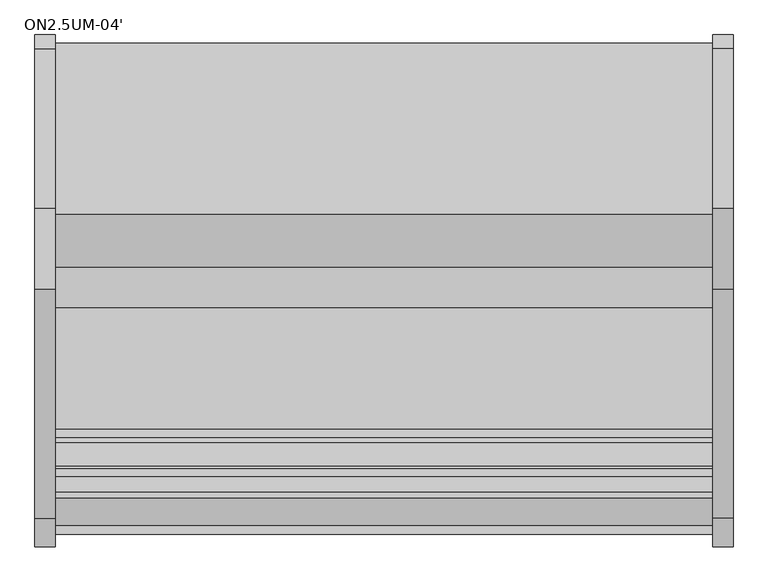
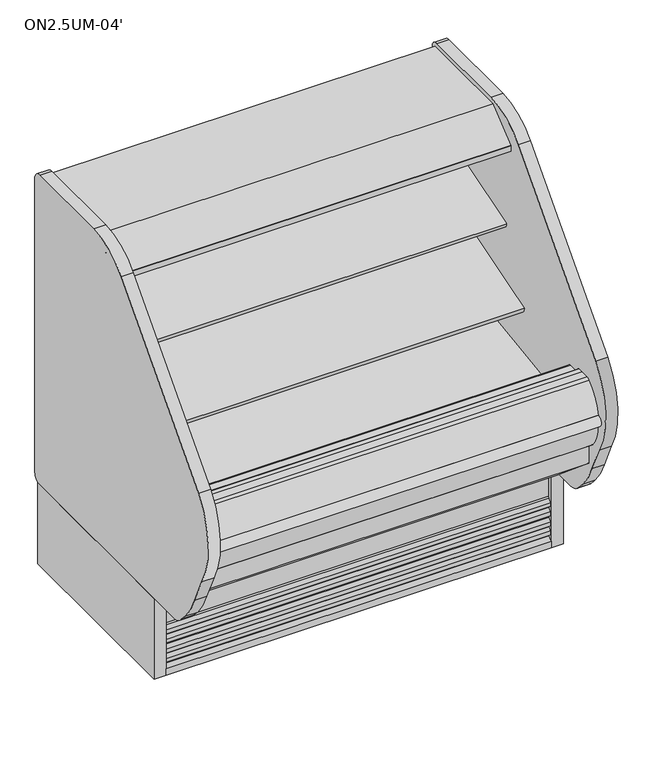
"""IFC4 building model written with IfcOpenShell, lengths in millimetres: proxy geometry, ON2.5UM-04'."""

import ifcopenshell
import ifcopenshell.guid

model = None  # the IFC model being written
_history = None  # IfcOwnerHistory: only IFC2X3 demands one
_inside = {}  # id of a spatial element -> (the spatial element, [elements in it])
_under = {}  # id of a project, library or spatial element -> (it, [spatial elements below it])
_declared = {}  # id of a project -> (the project, [libraries it declares])
_typed = {}  # id of a type object -> (the type object, [elements of that type])
_made_of = {}  # id of a material, layer set ... -> (it, [elements and type objects made of it])


def new_model(schema):
    """Start an empty IFC model of exactly this schema.

    Asked for "IFC4X3", IfcOpenShell would pick the latest addendum, in which some entities
    have other attributes; the version numbers below select the first issue.
    IFC2X3 requires an IfcOwnerHistory on every rooted entity: one is made here for all.
    """
    global model, _history
    if schema == "IFC4X3":
        model = ifcopenshell.file(schema_version=(4, 3, 0, 0))
    else:
        model = ifcopenshell.file(schema=schema)
    _inside.clear()
    _under.clear()
    _declared.clear()
    _typed.clear()
    _made_of.clear()
    _history = None
    if model.schema == "IFC2X3":
        org = make("IfcOrganization", Name="unknown")
        user = make(
            "IfcPersonAndOrganization",
            ThePerson=make("IfcPerson", FamilyName="unknown"),
            TheOrganization=org,
        )
        app = make(
            "IfcApplication",
            ApplicationDeveloper=org,
            Version="unknown",
            ApplicationFullName="unknown",
            ApplicationIdentifier="unknown",
        )
        _history = make(
            "IfcOwnerHistory",
            OwningUser=user,
            OwningApplication=app,
            ChangeAction="ADDED",
            CreationDate=0,
        )
    return model


def make(cls, **values):
    """One entity of the class cls with the attributes given. An attribute that is None is left unset."""
    return model.create_entity(
        cls, **{name: value for name, value in values.items() if value is not None}
    )


def rooted(cls, **values):
    """An entity with a GlobalId (a new one), such as an element, a storey or a relation."""
    return make(cls, GlobalId=ifcopenshell.guid.new(), OwnerHistory=_history, **values)


def si_unit(unit_type, name, prefix=None):
    """IfcSIUnit, for example si_unit("LENGTHUNIT", "METRE", prefix="MILLI")."""
    return make("IfcSIUnit", UnitType=unit_type, Prefix=prefix, Name=name)


def assignment(units):
    """IfcUnitAssignment: the units of a project."""
    return None if units is None else make("IfcUnitAssignment", Units=units)


def point(xyz):
    """IfcCartesianPoint."""
    return None if xyz is None else make("IfcCartesianPoint", Coordinates=xyz)


def direction(xyz):
    """IfcDirection."""
    return None if xyz is None else make("IfcDirection", DirectionRatios=xyz)


def frame(location, z_axis=None, x_axis=None):
    """IfcAxis2Placement3D, a coordinate frame: its origin and axes. An axis left out is left unset."""
    return make(
        "IfcAxis2Placement3D",
        Location=point(location),
        Axis=direction(z_axis),
        RefDirection=direction(x_axis),
    )


def frame_2d(location, x_axis=None):
    """IfcAxis2Placement2D, a coordinate frame in the plane: its origin and x axis."""
    return make(
        "IfcAxis2Placement2D", Location=point(location), RefDirection=direction(x_axis)
    )


def origin():
    """The frame at (0, 0, 0) with its axes left unset."""
    return frame((0.0, 0.0, 0.0))


def origin_with_axes():
    """The frame at (0, 0, 0) with the z axis (0, 0, 1) and the x axis (1, 0, 0) written out."""
    return frame((0.0, 0.0, 0.0), z_axis=(0.0, 0.0, 1.0), x_axis=(1.0, 0.0, 0.0))


def place(relative_to, where):
    """IfcLocalPlacement: puts the frame where relative to a parent placement (None: the world)."""
    return make(
        "IfcLocalPlacement", PlacementRelTo=relative_to, RelativePlacement=where
    )


def context(
    kind, dimensions, precision=None, world=None, true_north=None, identifier=None
):
    """IfcGeometricRepresentationContext, for example the 3D "Model" context."""
    return make(
        "IfcGeometricRepresentationContext",
        ContextIdentifier=identifier,
        ContextType=kind,
        CoordinateSpaceDimension=dimensions,
        Precision=precision,
        WorldCoordinateSystem=world,
        TrueNorth=true_north,
    )


def project(units=None, contexts=None):
    """IfcProject with its units and contexts."""
    return rooted(
        "IfcProject",
        Name="project",
        RepresentationContexts=contexts,
        UnitsInContext=assignment(units),
    )


def spatial(cls, under=None, at=None, **own):
    """A site, building, storey or space (cls), placed at a placement, below another one or the project."""
    s = rooted(cls, ObjectPlacement=at, **own)
    if under is not None:
        _under.setdefault(under.id(), (under, []))[1].append(s)
    return s


def polyline(points):
    """IfcPolyline through the points."""
    return make("IfcPolyline", Points=[point(p) for p in points])


def circle_curve(where, radius):
    """IfcCircle in the frame where."""
    return make("IfcCircle", Position=where, Radius=radius)


def trimmed(basis, trim1, trim2, sense, master):
    """IfcTrimmedCurve: the piece of a basis curve between two trims."""
    return make(
        "IfcTrimmedCurve",
        BasisCurve=basis,
        Trim1=trim1,
        Trim2=trim2,
        SenseAgreement=sense,
        MasterRepresentation=master,
    )


def segment(curve, same_sense, transition):
    """IfcCompositeCurveSegment."""
    return make(
        "IfcCompositeCurveSegment",
        Transition=transition,
        SameSense=same_sense,
        ParentCurve=curve,
    )


def composite_curve(segments, self_intersect=None):
    """IfcCompositeCurve: segments joined end to end."""
    return make("IfcCompositeCurve", Segments=segments, SelfIntersect=self_intersect)


def outline(outer, holes=None, kind="AREA"):
    """IfcArbitraryClosedProfileDef: a profile drawn as a closed curve; with holes, ...WithVoids."""
    if holes is None:
        return make("IfcArbitraryClosedProfileDef", ProfileType=kind, OuterCurve=outer)
    return make(
        "IfcArbitraryProfileDefWithVoids",
        ProfileType=kind,
        OuterCurve=outer,
        InnerCurves=holes,
    )


def extrude(swept, where, along, depth):
    """IfcExtrudedAreaSolid: the profile swept, set in the frame where, extruded along a direction by depth."""
    return make(
        "IfcExtrudedAreaSolid",
        SweptArea=swept,
        Position=where,
        ExtrudedDirection=direction(along),
        Depth=depth,
    )


def shape(context_of_items, identifier, shape_type, items):
    """IfcShapeRepresentation: the items that make up one representation, for example the "Body"."""
    return make(
        "IfcShapeRepresentation",
        ContextOfItems=context_of_items,
        RepresentationIdentifier=identifier,
        RepresentationType=shape_type,
        Items=items,
    )


def source(mapping_origin, context_of_items, identifier, shape_type, items):
    """IfcRepresentationMap: a shape defined once, which mapped items show again and again."""
    return make(
        "IfcRepresentationMap",
        MappingOrigin=mapping_origin,
        MappedRepresentation=shape(context_of_items, identifier, shape_type, items),
    )


def transform(
    local_origin,
    x_axis=None,
    y_axis=None,
    z_axis=None,
    scale=None,
    scale2=None,
    scale3=None,
    uniform=True,
):
    """IfcCartesianTransformationOperator3D, or its non-uniform kind. x_axis, y_axis, z_axis: its Axis1, 2, 3."""
    if uniform:
        return make(
            "IfcCartesianTransformationOperator3D",
            Axis1=direction(x_axis),
            Axis2=direction(y_axis),
            LocalOrigin=point(local_origin),
            Scale=scale,
            Axis3=direction(z_axis),
        )
    return make(
        "IfcCartesianTransformationOperator3DnonUniform",
        Axis1=direction(x_axis),
        Axis2=direction(y_axis),
        LocalOrigin=point(local_origin),
        Scale=scale,
        Axis3=direction(z_axis),
        Scale2=scale2,
        Scale3=scale3,
    )


def mapped(mapping_source, mapping_target):
    """IfcMappedItem: shows the shape of a source again, moved by a transform."""
    return make(
        "IfcMappedItem", MappingSource=mapping_source, MappingTarget=mapping_target
    )


def made_of(thing, what):
    """Note that an element or type object is made of a material, layer set ...; save() writes the relation."""
    if what is not None:
        _made_of.setdefault(what.id(), (what, []))[1].append(thing)
    return thing


def element(
    cls,
    number,
    at=None,
    inside=None,
    cuts=None,
    type_object=None,
    material=None,
    context=None,
    identifier="Body",
    shape_type=None,
    held_by="IfcProductDefinitionShape",
    body=None,
    shapes=None,
    **own,
):
    """One element of the class cls, such as IfcWall. Its Tag is "e" and its number.

    at: its placement. inside: the storey or other place that contains it. cuts: it is an
    opening in that element (IfcRelVoidsElement). A single representation is given by context,
    identifier, shape_type and body (its items); several are given by shapes. held_by: the class
    of the entity that holds the representations. save() writes the other relations.
    """
    e = rooted(cls, Tag="e%d" % number, ObjectPlacement=at, **own)
    if body is not None:
        shapes = [shape(context, identifier, shape_type, body)]
    if shapes is not None:
        e.Representation = make(held_by, Representations=shapes)
    if inside is not None:
        _inside.setdefault(inside.id(), (inside, []))[1].append(e)
    if cuts is not None:
        rooted(
            "IfcRelVoidsElement", RelatingBuildingElement=cuts, RelatedOpeningElement=e
        )
    if type_object is not None:
        _typed.setdefault(type_object.id(), (type_object, []))[1].append(e)
    return made_of(e, material)


def aggregate(whole, parts):
    """IfcRelAggregates: a whole, such as a stair, and the parts it consists of."""
    return rooted("IfcRelAggregates", RelatingObject=whole, RelatedObjects=parts)


def save(model, path):
    """Write the relations noted so far, then the file.

    IfcRelAggregates (storeys below a building ...), IfcRelContainedInSpatialStructure (elements
    in a storey), IfcRelDefinesByType, IfcRelAssociatesMaterial and IfcRelDeclares: one each for
    every whole, place, type object, material and project.
    """
    for whole, parts in _under.values():
        aggregate(whole, parts)
    for where, things in _inside.values():
        rooted(
            "IfcRelContainedInSpatialStructure",
            RelatedElements=things,
            RelatingStructure=where,
        )
    for kind, things in _typed.values():
        rooted("IfcRelDefinesByType", RelatedObjects=things, RelatingType=kind)
    for what, things in _made_of.values():
        rooted("IfcRelAssociatesMaterial", RelatedObjects=things, RelatingMaterial=what)
    for by, libraries in _declared.values():
        rooted("IfcRelDeclares", RelatingContext=by, RelatedDefinitions=libraries)
    model.write(path)


def plane_surface(at):
    """IfcPlane: the flat surface through the origin of the frame at, square to its z axis."""
    return make("IfcPlane", Position=at)


def revolved_surface(curve, axis_point, axis_direction):
    """IfcSurfaceOfRevolution: the curve turned about the line through axis_point along axis_direction."""
    return make(
        "IfcSurfaceOfRevolution",
        SweptCurve=make("IfcArbitraryOpenProfileDef", ProfileType="CURVE", Curve=curve),
        AxisPosition=make("IfcAxis1Placement", Location=point(axis_point), Axis=direction(axis_direction)),
    )


def advanced_brep(points, edges, surfaces, faces):
    """IfcAdvancedBrep: a solid bounded by faces that lie on surfaces and meet in shared edges.

    An edge is (start, end): straight between two places in points (the first is 0);
    or (start, end, curve); or (start, end, curve, False) where it runs against its curve.
    A face is (place in surfaces, loops), or (place, loops, False) where it looks against
    its surface's normal. A loop lists edges by number (the first is 1), with a minus sign
    where the edge is run from its end to its start. The first loop is the outer one.
    """
    corners = [point(p) for p in points]
    vertices = [make("IfcVertexPoint", VertexGeometry=c) for c in corners]
    made = []
    for start, end, *more in edges:
        made.append(
            make(
                "IfcEdgeCurve",
                EdgeStart=vertices[start],
                EdgeEnd=vertices[end],
                EdgeGeometry=more[0] if more else make("IfcPolyline", Points=[corners[start], corners[end]]),
                SameSense=more[1] if len(more) > 1 else True,
            )
        )
    hull = []
    for where, loops, *sense in faces:
        bounds = []
        for j, loop in enumerate(loops):
            ring = [make("IfcOrientedEdge", EdgeElement=made[abs(k) - 1], Orientation=k > 0) for k in loop]
            bounds.append(
                make(
                    "IfcFaceOuterBound" if j == 0 else "IfcFaceBound",
                    Bound=make("IfcEdgeLoop", EdgeList=ring),
                    Orientation=True,
                )
            )
        hull.append(make("IfcAdvancedFace", Bounds=bounds, FaceSurface=surfaces[where], SameSense=sense[0] if sense else True))
    return make("IfcAdvancedBrep", Outer=make("IfcClosedShell", CfsFaces=hull))


def on2_5um_04_1493ea88(model_context):
    return source(origin(), model_context, "Body", "SolidModel", [
        extrude(outline(polyline([(507.388263, -893.2764617), (202.588263, -893.2764617), (202.588263, -791.6764617), (507.388263, -791.6764617), (507.388263, -893.2764617)])), frame((0.0, 0.0, 73.025), z_axis=(0.0, 0.0, 1.0), x_axis=(1.0, 0.0, 0.0)), (0.0, 0.0, 1.0), 53.975),
        extrude(outline(composite_curve([segment(polyline([(-450.9752145, 601.5405648), (-468.3502366, 595.9037411)]), True, "CONTINUOUS"), segment(trimmed(circle_curve(frame_2d((-476.1883714, 620.0641145)), 25.4), [point((-468.3502366, 595.9037411))], [point((-485.6945728, 596.5100886))], False, "CARTESIAN"), True, "CONTINUOUS"), segment(polyline([(-485.6945728, 596.5100886), (-506.9899706, 605.1047271)]), True, "CONTINUOUS"), segment(trimmed(circle_curve(frame_2d((-530.755474, 546.2196624)), 63.5), [point((-506.9899706, 605.1047271))], [point((-541.6241367, 608.7826081))], True, "CARTESIAN"), True, "CONTINUOUS"), segment(polyline([(-541.6241367, 608.7826081), (-729.3406491, 576.171812), (-731.7702933, 579.0267523), (-835.4587722, 547.3260029), (-839.6174674, 560.9284818), (-450.9752145, 679.7483426), (-450.9752145, 601.5405648)]), True, "CONTINUOUS")], self_intersect=False)), frame((0.0, 0.0, 0.0), z_axis=(1.0, 0.0, 0.0), x_axis=(0.0, 1.0, 0.0)), (0.0, 0.0, 1.0), 1219.2),
        extrude(outline(composite_curve([segment(polyline([(-450.9752145, 796.011901), (-468.3502366, 790.3750773)]), True, "CONTINUOUS"), segment(trimmed(circle_curve(frame_2d((-476.1883714, 814.5354507)), 25.4), [point((-468.3502366, 790.3750773))], [point((-485.6945728, 790.9814248))], False, "CARTESIAN"), True, "CONTINUOUS"), segment(polyline([(-485.6945728, 790.9814248), (-506.9899706, 799.5760633)]), True, "CONTINUOUS"), segment(trimmed(circle_curve(frame_2d((-530.755474, 740.6909986)), 63.5), [point((-506.9899706, 799.5760633))], [point((-541.6241367, 803.2539443))], True, "CARTESIAN"), True, "CONTINUOUS"), segment(polyline([(-541.6241367, 803.2539443), (-679.3922366, 785.9139105), (-681.8218807, 788.7688507), (-738.298209, 771.5023043), (-742.4569042, 785.1047832), (-450.9752145, 874.2196788), (-450.9752145, 796.011901)]), True, "CONTINUOUS")], self_intersect=False)), frame((0.0, 0.0, 0.0), z_axis=(1.0, 0.0, 0.0), x_axis=(0.0, 1.0, 0.0)), (0.0, 0.0, 1.0), 1219.2),
        extrude(outline(composite_curve([segment(polyline([(-648.470614, 1072.6264761), (-649.9945361, 1074.2809705)]), True, "CONTINUOUS"), segment(trimmed(circle_curve(frame_2d((-649.4381785, 1074.7934206)), 0.7563986), [point((-649.9945361, 1074.2809705))], [point((-650.0466912, 1075.242699))], False, "CARTESIAN"), True, "CONTINUOUS"), segment(polyline([(-650.0466912, 1075.242699), (-648.8697344, 1075.2696879)]), True, "CONTINUOUS"), segment(trimmed(circle_curve(frame_2d((-648.8849906, 1075.9349944)), 0.6654814), [point((-648.8697344, 1075.2696879))], [point((-648.2227389, 1075.86951))], True, "CARTESIAN"), True, "CONTINUOUS"), segment(polyline([(-648.2227389, 1075.86951), (-620.3098143, 1075.9693853)]), True, "CONTINUOUS"), segment(trimmed(circle_curve(frame_2d((-619.7582325, 1075.901174)), 0.5557835), [point((-620.3098143, 1075.9693853))], [point((-619.8063732, 1075.3474794))], True, "CARTESIAN"), True, "CONTINUOUS"), segment(polyline([(-619.8063732, 1075.3474794), (-618.5866603, 1075.2414319)]), True, "CONTINUOUS"), segment(trimmed(circle_curve(frame_2d((-619.2724659, 1074.9057275)), 0.7635619), [point((-618.5866603, 1075.2414319))], [point((-618.7071533, 1074.3924554))], False, "CARTESIAN"), True, "CONTINUOUS"), segment(polyline([(-618.7071533, 1074.3924554), (-620.2979029, 1072.6404203), (-620.2739221, 1065.9383273)]), True, "CONTINUOUS"), segment(trimmed(circle_curve(frame_2d((-617.5454128, 1065.4973187)), 2.7639197), [point((-620.2739221, 1065.9383273))], [point((-618.5092301, 1062.9068924))], True, "CARTESIAN"), True, "CONTINUOUS"), segment(trimmed(circle_curve(frame_2d((-619.7320957, 1059.6202289)), 3.5067873), [point((-618.5092301, 1062.9068924))], [point((-617.51659, 1062.3385173))], False, "CARTESIAN"), True, "CONTINUOUS"), segment(trimmed(circle_curve(frame_2d((-619.9358423, 1056.2322704)), 6.5680312), [point((-617.51659, 1062.3385173))], [point((-613.3688711, 1056.350264))], False, "CARTESIAN"), True, "CONTINUOUS"), segment(trimmed(circle_curve(frame_2d((-1565.705013, 1048.3568984)), 952.3696872), [point((-613.3688711, 1056.350264))], [point((-613.3917721, 1037.9880818))], False, "CARTESIAN"), True, "CONTINUOUS"), segment(trimmed(circle_curve(frame_2d((-644.191626, 1038.432929)), 30.8030662), [point((-613.3917721, 1037.9880818))], [point((-613.4160701, 1037.1313729))], False, "CARTESIAN"), True, "CONTINUOUS"), segment(trimmed(circle_curve(frame_2d((-614.6672942, 1036.8230636)), 1.288649), [point((-613.4160701, 1037.1313729))], [point((-613.7448372, 1035.9232363))], False, "CARTESIAN"), True, "CONTINUOUS"), segment(polyline([(-613.7448372, 1035.9232363), (-615.3844258, 1035.9173697)]), True, "CONTINUOUS"), segment(trimmed(circle_curve(frame_2d((-614.9290066, 1038.5823232)), 2.7035873), [point((-615.3844258, 1035.9173697))], [point((-616.2763262, 1036.2383706))], False, "CARTESIAN"), True, "CONTINUOUS"), segment(polyline([(-616.2763262, 1036.2383706), (-652.0965363, 1036.1102022)]), True, "CONTINUOUS"), segment(trimmed(circle_curve(frame_2d((-653.4351306, 1038.4591487)), 2.7035873), [point((-652.0965363, 1036.1102022))], [point((-653.0538308, 1035.7825847))], False, "CARTESIAN"), True, "CONTINUOUS"), segment(polyline([(-653.0538308, 1035.7825847), (-654.7261323, 1035.7766011)]), True, "CONTINUOUS"), segment(trimmed(circle_curve(frame_2d((-653.779063, 1036.6504867)), 1.288649), [point((-654.7261323, 1035.7766011))], [point((-655.0218104, 1036.9913611))], False, "CARTESIAN"), True, "CONTINUOUS"), segment(trimmed(circle_curve(frame_2d((514.6365685, 1060.3863806)), 1169.8923242), [point((-655.0218104, 1036.9913611))], [point((-655.2482668, 1056.2004152))], False, "CARTESIAN"), True, "CONTINUOUS"), segment(trimmed(circle_curve(frame_2d((-648.976975, 1056.2228546)), 6.2713319), [point((-655.2482668, 1056.2004152))], [point((-652.1320539, 1061.6427329))], False, "CARTESIAN"), True, "CONTINUOUS"), segment(polyline([(-652.1320539, 1061.6427329), (-650.1549769, 1062.7936506)]), True, "CONTINUOUS"), segment(trimmed(circle_curve(frame_2d((-651.9196866, 1065.8251158)), 3.5077032), [point((-650.1549769, 1062.7936506))], [point((-648.4120058, 1065.8376464))], True, "CARTESIAN"), True, "CONTINUOUS"), segment(polyline([(-648.4120058, 1065.8376464), (-648.470614, 1072.6264761)]), True, "CONTINUOUS")], self_intersect=False)), frame((0.0, 0.0, 0.0), z_axis=(1.0, 0.0, 0.0), x_axis=(0.0, 1.0, 0.0)), (0.0, 0.0, 1.0), 1219.2),
        extrude(outline(composite_curve([segment(polyline([(-685.859414, 1072.6264761), (-687.3833361, 1074.2809705)]), True, "CONTINUOUS"), segment(trimmed(circle_curve(frame_2d((-686.8269785, 1074.7934206)), 0.7563986), [point((-687.3833361, 1074.2809705))], [point((-687.4354912, 1075.242699))], False, "CARTESIAN"), True, "CONTINUOUS"), segment(polyline([(-687.4354912, 1075.242699), (-686.2585344, 1075.2696879)]), True, "CONTINUOUS"), segment(trimmed(circle_curve(frame_2d((-686.2737906, 1075.9349944)), 0.6654814), [point((-686.2585344, 1075.2696879))], [point((-685.6115389, 1075.86951))], True, "CARTESIAN"), True, "CONTINUOUS"), segment(polyline([(-685.6115389, 1075.86951), (-657.6986143, 1075.9693853)]), True, "CONTINUOUS"), segment(trimmed(circle_curve(frame_2d((-657.1470325, 1075.901174)), 0.5557835), [point((-657.6986143, 1075.9693853))], [point((-657.1951732, 1075.3474794))], True, "CARTESIAN"), True, "CONTINUOUS"), segment(polyline([(-657.1951732, 1075.3474794), (-655.9754603, 1075.2414319)]), True, "CONTINUOUS"), segment(trimmed(circle_curve(frame_2d((-656.6612659, 1074.9057275)), 0.7635619), [point((-655.9754603, 1075.2414319))], [point((-656.0959533, 1074.3924554))], False, "CARTESIAN"), True, "CONTINUOUS"), segment(polyline([(-656.0959533, 1074.3924554), (-657.6867029, 1072.6404203), (-657.6627221, 1065.9383273)]), True, "CONTINUOUS"), segment(trimmed(circle_curve(frame_2d((-654.9342128, 1065.4973187)), 2.7639197), [point((-657.6627221, 1065.9383273))], [point((-655.8980301, 1062.9068924))], True, "CARTESIAN"), True, "CONTINUOUS"), segment(trimmed(circle_curve(frame_2d((-657.1208957, 1059.6202289)), 3.5067873), [point((-655.8980301, 1062.9068924))], [point((-654.90539, 1062.3385173))], False, "CARTESIAN"), True, "CONTINUOUS"), segment(trimmed(circle_curve(frame_2d((-657.3246423, 1056.2322704)), 6.5680312), [point((-654.90539, 1062.3385173))], [point((-650.7576711, 1056.350264))], False, "CARTESIAN"), True, "CONTINUOUS"), segment(trimmed(circle_curve(frame_2d((-1603.093813, 1048.3568984)), 952.3696872), [point((-650.7576711, 1056.350264))], [point((-650.7805721, 1037.9880818))], False, "CARTESIAN"), True, "CONTINUOUS"), segment(trimmed(circle_curve(frame_2d((-681.580426, 1038.432929)), 30.8030662), [point((-650.7805721, 1037.9880818))], [point((-650.8048701, 1037.1313729))], False, "CARTESIAN"), True, "CONTINUOUS"), segment(trimmed(circle_curve(frame_2d((-652.0560942, 1036.8230636)), 1.288649), [point((-650.8048701, 1037.1313729))], [point((-651.1336372, 1035.9232363))], False, "CARTESIAN"), True, "CONTINUOUS"), segment(polyline([(-651.1336372, 1035.9232363), (-652.7732258, 1035.9173697)]), True, "CONTINUOUS"), segment(trimmed(circle_curve(frame_2d((-652.3178066, 1038.5823232)), 2.7035873), [point((-652.7732258, 1035.9173697))], [point((-653.6651262, 1036.2383706))], False, "CARTESIAN"), True, "CONTINUOUS"), segment(polyline([(-653.6651262, 1036.2383706), (-689.4853363, 1036.1102022)]), True, "CONTINUOUS"), segment(trimmed(circle_curve(frame_2d((-690.8239306, 1038.4591487)), 2.7035873), [point((-689.4853363, 1036.1102022))], [point((-690.4426308, 1035.7825847))], False, "CARTESIAN"), True, "CONTINUOUS"), segment(polyline([(-690.4426308, 1035.7825847), (-692.1149323, 1035.7766011)]), True, "CONTINUOUS"), segment(trimmed(circle_curve(frame_2d((-691.167863, 1036.6504867)), 1.288649), [point((-692.1149323, 1035.7766011))], [point((-692.4106104, 1036.9913611))], False, "CARTESIAN"), True, "CONTINUOUS"), segment(trimmed(circle_curve(frame_2d((477.2477685, 1060.3863806)), 1169.8923242), [point((-692.4106104, 1036.9913611))], [point((-692.6370668, 1056.2004152))], False, "CARTESIAN"), True, "CONTINUOUS"), segment(trimmed(circle_curve(frame_2d((-686.365775, 1056.2228546)), 6.2713319), [point((-692.6370668, 1056.2004152))], [point((-689.5208539, 1061.6427329))], False, "CARTESIAN"), True, "CONTINUOUS"), segment(polyline([(-689.5208539, 1061.6427329), (-687.5437769, 1062.7936506)]), True, "CONTINUOUS"), segment(trimmed(circle_curve(frame_2d((-689.3084866, 1065.8251158)), 3.5077032), [point((-687.5437769, 1062.7936506))], [point((-685.8008058, 1065.8376464))], True, "CARTESIAN"), True, "CONTINUOUS"), segment(polyline([(-685.8008058, 1065.8376464), (-685.859414, 1072.6264761)]), True, "CONTINUOUS")], self_intersect=False)), frame((0.0, 0.0, 0.0), z_axis=(1.0, 0.0, 0.0), x_axis=(0.0, 1.0, 0.0)), (0.0, 0.0, 1.0), 1219.2),
        extrude(outline(composite_curve([segment(trimmed(circle_curve(frame_2d((-634.3430759, 1052.6167993)), 14.2875), [point((-648.6305759, 1052.6167993))], [point((-620.0555759, 1052.6167993))], False, "CARTESIAN"), True, "CONTINUOUS"), segment(trimmed(circle_curve(frame_2d((-634.3430759, 1052.6167993)), 14.2875), [point((-620.0555759, 1052.6167993))], [point((-648.6305759, 1052.6167993))], False, "CARTESIAN"), True, "CONTINUOUS")], self_intersect=False)), frame((0.0, 0.0, 0.0), z_axis=(1.0, 0.0, 0.0), x_axis=(0.0, 1.0, 0.0)), (0.0, 0.0, 1.0), 1219.2),
        extrude(outline(composite_curve([segment(trimmed(circle_curve(frame_2d((-671.7318759, 1052.6167993)), 14.2875), [point((-686.0193759, 1052.6167993))], [point((-657.4443759, 1052.6167993))], False, "CARTESIAN"), True, "CONTINUOUS"), segment(trimmed(circle_curve(frame_2d((-671.7318759, 1052.6167993)), 14.2875), [point((-657.4443759, 1052.6167993))], [point((-686.0193759, 1052.6167993))], False, "CARTESIAN"), True, "CONTINUOUS")], self_intersect=False)), frame((0.0, 0.0, 0.0), z_axis=(1.0, 0.0, 0.0), x_axis=(0.0, 1.0, 0.0)), (0.0, 0.0, 1.0), 1219.2),
        extrude(outline(composite_curve([segment(polyline([(-973.672535, -56.2420958), (-970.1834379, -45.2032877), (-982.2794629, -45.2032877), (-982.2794629, -32.8224109)]), True, "CONTINUOUS"), segment(trimmed(circle_curve(frame_2d((-986.6973307, -19.3202637)), 14.2065314), [point((-982.2794629, -32.8224109))], [point((-973.1374647, -23.5576651))], True, "CARTESIAN"), True, "CONTINUOUS"), segment(polyline([(-973.1374647, -23.5576651), (-970.3324167, -14.5813913), (-982.2794629, -14.5813913), (-982.2794629, -1.8502278)]), True, "CONTINUOUS"), segment(trimmed(circle_curve(frame_2d((-986.769706, 11.7233359)), 14.2969897), [point((-982.2794629, -1.8502278))], [point((-973.1374647, 7.414518))], True, "CARTESIAN"), True, "CONTINUOUS"), segment(polyline([(-973.1374647, 7.414518), (-971.254091, 13.4413945), (-971.254091, 130.175), (-962.6443405, 130.175), (-962.6443405, -149.3857268), (-987.2903379, -149.3857268), (-987.2903379, -127.7937749)]), True, "CONTINUOUS"), segment(trimmed(circle_curve(frame_2d((-986.7545143, -114.0983982)), 13.7058546), [point((-987.2903379, -127.7937749))], [point((-973.672535, -118.186462))], True, "CARTESIAN"), True, "CONTINUOUS"), segment(polyline([(-973.672535, -118.186462), (-970.7580238, -108.8599016), (-982.8145331, -108.8599016), (-982.8145331, -96.4790247)]), True, "CONTINUOUS"), segment(trimmed(circle_curve(frame_2d((-987.2324009, -82.9768775)), 14.2065314), [point((-982.8145331, -96.4790247))], [point((-973.672535, -87.2142789))], True, "CARTESIAN"), True, "CONTINUOUS"), segment(polyline([(-973.672535, -87.2142789), (-970.867487, -78.2380052), (-982.8145331, -78.2380052), (-982.8145331, -65.5068416)]), True, "CONTINUOUS"), segment(trimmed(circle_curve(frame_2d((-987.3047763, -51.933278)), 14.2969897), [point((-982.8145331, -65.5068416))], [point((-973.672535, -56.2420958))], True, "CARTESIAN"), True, "CONTINUOUS")], self_intersect=False)), frame((0.0, 0.0, 0.0), z_axis=(1.0, 0.0, 0.0), x_axis=(0.0, 1.0, 0.0)), (0.0, 0.0, 1.0), 1219.2),
        extrude(outline(polyline([(-349.0071273, 130.0142732), (-349.0071273, -149.3857268), (-390.3074283, -149.3857268), (-390.3074283, -79.5357268), (-920.5324283, -79.5357268), (-920.5324283, -149.3857268), (-962.9606519, -149.3857268), (-962.9606519, 130.0142732), (-349.0071273, 130.0142732)])), frame((0.0, 0.0, 0.0), z_axis=(1.0, 0.0, 0.0), x_axis=(0.0, 1.0, 0.0)), (0.0, 0.0, 1.0), 1219.2),
        extrude(outline(composite_curve([segment(polyline([(-399.8071273, 210.4307819), (-850.7588442, 194.683201), (-887.8011508, 163.7297871), (-889.0391302, 163.6865559), (-901.7492603, 153.7615258), (-962.0375119, 151.6562137), (-975.406166, 160.6685318), (-976.7040986, 160.6685318), (-1015.7041009, 188.882107), (-1030.3158209, 188.3718545), (-1140.3441273, 280.6965658), (-1140.3441273, 390.4771975), (-1152.9959201, 390.4771975), (-1152.9959201, 539.5892732), (-1138.0485917, 539.5892732)]), True, "CONTINUOUS"), segment(trimmed(circle_curve(frame_2d((-1138.0485917, 536.4142732)), 3.175), [point((-1138.0485917, 539.5892732))], [point((-1134.8735917, 536.4142732))], False, "CARTESIAN"), True, "CONTINUOUS"), segment(polyline([(-1134.8735917, 536.4142732), (-1134.8735917, 523.3115042), (-1089.9420117, 523.3115042)]), True, "CONTINUOUS"), segment(trimmed(circle_curve(frame_2d((-1089.9420117, 515.3867042)), 7.9248), [point((-1089.9420117, 523.3115042))], [point((-1082.0172117, 515.3867042))], False, "CARTESIAN"), True, "CONTINUOUS"), segment(polyline([(-1082.0172117, 515.3867042), (-1082.0172117, 377.7429537), (-1064.7975145, 377.7429537), (-542.3529877, 450.4013198), (-462.7893073, 458.1248825)]), True, "CONTINUOUS"), segment(trimmed(circle_curve(frame_2d((-463.6752145, 470.7939459)), 12.7), [point((-462.7893073, 458.1248825))], [point((-450.9752145, 470.7939459))], True, "CARTESIAN"), True, "CONTINUOUS"), segment(polyline([(-450.9752145, 470.7939459), (-450.9752145, 1012.0331953), (-399.8071273, 1012.0331953), (-399.8071273, 210.4307819)]), True, "CONTINUOUS")], self_intersect=False)), frame((0.0, 0.0, 0.0), z_axis=(1.0, 0.0, 0.0), x_axis=(0.0, 1.0, 0.0)), (0.0, 0.0, 1.0), 1219.2),
        advanced_brep(
        [(1219.2, -1040.4311421, 130.175), (1219.2, -349.0071273, 130.175), (1219.2, -349.0071273, 1092.2749935), (1219.2, -399.8071273, 1092.2749935), (1219.2, -399.8071273, 210.4307819), (1219.2, -850.7588442, 194.683201), (1219.2, -887.8011508, 163.7297871), (1219.2, -889.0391302, 163.6865559), (1219.2, -901.7492603, 153.7615258), (1219.2, -962.0375119, 151.6562137), (1219.2, -975.7864511, 160.9248965), (1219.2, -977.0584749, 160.9248965), (1219.2, -1015.7041009, 188.882107), (1219.2, -1030.3158209, 188.3718545), (1219.2, -1140.3441273, 280.6965658), (1219.2, -1140.3441273, 390.4771975), (1219.2, -1192.9399655, 390.4771975), (1219.2, -1192.9399655, 258.1450974), (0.0, -1040.4311421, 130.175), (0.0, -1192.9399655, 258.1450974), (0.0, -1192.9399655, 390.4771975), (0.0, -1140.3441273, 390.4771975), (0.0, -1140.3441273, 280.6965658), (0.0, -1030.3158209, 188.3718545), (0.0, -1015.7041009, 188.882107), (0.0, -977.0584749, 160.9248965), (0.0, -975.7864511, 160.9248965), (0.0, -962.0375119, 151.6562137), (0.0, -901.7492603, 153.7615258), (0.0, -889.0391302, 163.6865559), (0.0, -887.8011508, 163.7297871), (0.0, -850.7588442, 194.683201), (0.0, -399.8071273, 210.4307819), (0.0, -399.8071273, 1092.2749935), (0.0, -349.0071273, 1092.2749935), (0.0, -349.0071273, 130.175), (1117.6, -349.0071273, 279.4), (1117.6, -349.0071273, 342.9), (1117.6, -399.8071273, 342.9), (1117.6, -399.8071273, 279.4)],
        [
            (0, 1),
            (1, 2),
            (2, 3),
            (3, 4),
            (4, 5),
            (5, 6),
            (6, 7),
            (7, 8),
            (8, 9),
            (9, 10),
            (10, 11),
            (11, 12),
            (12, 13),
            (13, 14),
            (14, 15),
            (15, 16),
            (16, 17),
            (17, 0),
            (18, 19),
            (19, 20),
            (20, 21),
            (21, 22),
            (22, 23),
            (23, 24),
            (24, 25),
            (25, 26),
            (26, 27),
            (27, 28),
            (28, 29),
            (29, 30),
            (30, 31),
            (31, 32),
            (32, 33),
            (33, 34),
            (34, 35),
            (35, 18),
            (0, 18),
            (35, 1),
            (34, 2),
            (36, 37, circle_curve(frame((1117.6, -349.0071273, 311.15), z_axis=(0.0, -1.0, 0.0), x_axis=(0.0, 0.0, -1.0)), 31.75)),
            (37, 36, circle_curve(frame((1117.6, -349.0071273, 311.15), z_axis=(0.0, -1.0, 0.0), x_axis=(0.0, 0.0, -1.0)), 31.75)),
            (33, 3),
            (32, 4),
            (38, 39, circle_curve(frame((1117.6, -399.8071273, 311.15), z_axis=(0.0, 1.0, 0.0), x_axis=(0.0, 0.0, -1.0)), 31.75)),
            (39, 38, circle_curve(frame((1117.6, -399.8071273, 311.15), z_axis=(0.0, 1.0, 0.0), x_axis=(0.0, 0.0, -1.0)), 31.75)),
            (5, 31),
            (30, 6),
            (29, 7),
            (28, 8),
            (27, 9),
            (26, 10),
            (25, 11),
            (24, 12),
            (23, 13),
            (22, 14),
            (21, 15),
            (20, 16),
            (19, 17),
            (36, 39),
            (38, 37),
        ],
        [
            plane_surface(frame((1219.2, -349.0071273, 130.175), z_axis=(1.0, 0.0, 0.0), x_axis=(0.0, 1.0, 0.0))),
            plane_surface(frame((0.0, -349.0071273, 130.175), z_axis=(-1.0, 0.0, 0.0), x_axis=(0.0, -1.0, 0.0))),
            plane_surface(frame((1219.2, -1040.4311421, 130.175), z_axis=(0.0, 0.0, -1.0), x_axis=(-1.0, 0.0, 0.0))),
            plane_surface(frame((1219.2, -349.0071273, 130.175), z_axis=(0.0, 1.0, 0.0), x_axis=(-1.0, 0.0, 0.0))),
            plane_surface(frame((1219.2, -349.0071273, 1092.2749935), z_axis=(0.0, 0.0, 1.0), x_axis=(-1.0, 0.0, 0.0))),
            plane_surface(frame((1219.2, -399.8071273, 1092.2749935), z_axis=(0.0, -1.0, 0.0), x_axis=(-1.0, 0.0, 0.0))),
            plane_surface(frame((1219.2, -850.7588442, 194.683201), z_axis=(0.0, -0.6412208566385922, 0.7673563794037749), x_axis=(-1.0, 0.0, 0.0))),
            plane_surface(frame((1219.2, -887.8011508, 163.7297871), z_axis=(0.0, -0.03489949670156376, 0.9993908270191285), x_axis=(-1.0, 0.0, 0.0))),
            plane_surface(frame((1219.2, -889.0391302, 163.6865559), z_axis=(0.0, -0.6154607629252825, 0.7881675261639681), x_axis=(-1.0, 0.0, 0.0))),
            plane_surface(frame((1219.2, -901.7492603, 153.7615258), z_axis=(0.0, -0.03489949670244605, 0.9993908270190978), x_axis=(-1.0, 0.0, 0.0))),
            plane_surface(frame((1219.2, -962.0375119, 151.6562137), z_axis=(0.0, 0.5589817440967393, 0.8291799622317025), x_axis=(-1.0, 0.0, 0.0))),
            plane_surface(frame((1219.2, -975.7864511, 160.9248965), z_axis=(0.0, 0.0, 1.0), x_axis=(-1.0, 0.0, 0.0))),
            plane_surface(frame((1219.2, -977.0584749, 160.9248965), z_axis=(0.0, 0.5861307997256155, 0.8102164436821869), x_axis=(-1.0, 0.0, 0.0))),
            plane_surface(frame((1219.2, -1015.7041009, 188.882107), z_axis=(0.0, -0.03489949670336666, 0.9993908270190656), x_axis=(-1.0, 0.0, 0.0))),
            plane_surface(frame((1219.2, -1030.3158209, 188.3718545), z_axis=(0.0, 0.6427876096870732, 0.7660444431185303), x_axis=(-1.0, 0.0, 0.0))),
            plane_surface(frame((1219.2, -1140.3441273, 280.6965658), z_axis=(0.0, 1.0, 0.0), x_axis=(-1.0, 0.0, 0.0))),
            plane_surface(frame((1219.2, -1140.3441273, 390.4771975), z_axis=(0.0, 0.0, 1.0), x_axis=(-1.0, 0.0, 0.0))),
            plane_surface(frame((1219.2, -1192.9399655, 390.4771975), z_axis=(0.0, -1.0, 0.0), x_axis=(-1.0, 0.0, 0.0))),
            plane_surface(frame((1219.2, -1192.9399655, 258.1450974), z_axis=(0.0, -0.642787609687077, -0.7660444431185269), x_axis=(-1.0, 0.0, 0.0))),
            revolved_surface(polyline([(1117.6, -349.0071273, 279.4), (1117.6, -399.8071273, 279.4)]), (1117.6, -399.8071273, 311.15), (0.0, 1.0, 0.0)),
            plane_surface(frame((1219.2, -399.8071273, 210.4307819), z_axis=(0.0, -0.03489949670246552, 0.999390827019097), x_axis=(-1.0, 0.0, 0.0))),
        ],
        [
            (0, [[1, 2, 3, 4, 5, 6, 7, 8, 9, 10, 11, 12, 13, 14, 15, 16, 17, 18]]),
            (1, [[19, 20, 21, 22, 23, 24, 25, 26, 27, 28, 29, 30, 31, 32, 33, 34, 35, 36]]),
            (2, [[-1, 37, -36, 38]]),
            (3, [[-2, -38, -35, 39], [40, 41]]),
            (4, [[-3, -39, -34, 42]]),
            (5, [[-4, -42, -33, 43], [44, 45]]),
            (6, [[-6, 46, -31, 47]]),
            (7, [[-7, -47, -30, 48]]),
            (8, [[-8, -48, -29, 49]]),
            (9, [[-9, -49, -28, 50]]),
            (10, [[-10, -50, -27, 51]]),
            (11, [[-11, -51, -26, 52]]),
            (12, [[-12, -52, -25, 53]]),
            (13, [[-13, -53, -24, 54]]),
            (14, [[-14, -54, -23, 55]]),
            (15, [[-15, -55, -22, 56]]),
            (16, [[-16, -56, -21, 57]]),
            (17, [[-17, -57, -20, 58]]),
            (18, [[-18, -58, -19, -37]]),
            (19, [[59, -44, 60, -40]]),
            (19, [[-59, -41, -60, -45]]),
            (20, [[-5, -43, -32, -46]]),
        ],
    ),
        extrude(outline(composite_curve([segment(trimmed(circle_curve(frame_2d((985.8375, -939.5571273)), 11.1125), [point((974.725, -939.5571273))], [point((996.95, -939.5571273))], False, "CARTESIAN"), True, "CONTINUOUS"), segment(trimmed(circle_curve(frame_2d((985.8375, -939.5571273)), 11.1125), [point((996.95, -939.5571273))], [point((974.725, -939.5571273))], False, "CARTESIAN"), True, "CONTINUOUS")], self_intersect=False)), origin_with_axes(), (0.0, 0.0, 1.0), 127.0),
        extrude(outline(composite_curve([segment(trimmed(circle_curve(frame_2d((1011.2375, -939.5571273)), 4.7625), [point((1006.475, -939.5571273))], [point((1016.0, -939.5571273))], False, "CARTESIAN"), True, "CONTINUOUS"), segment(trimmed(circle_curve(frame_2d((1011.2375, -939.5571273)), 4.7625), [point((1016.0, -939.5571273))], [point((1006.475, -939.5571273))], False, "CARTESIAN"), True, "CONTINUOUS")], self_intersect=False)), origin_with_axes(), (0.0, 0.0, 1.0), 127.0),
        extrude(outline(composite_curve([segment(trimmed(circle_curve(frame_2d((609.6, -939.5571273)), 19.05), [point((590.55, -939.5571273))], [point((628.65, -939.5571273))], False, "CARTESIAN"), True, "CONTINUOUS"), segment(trimmed(circle_curve(frame_2d((609.6, -939.5571273)), 19.05), [point((628.65, -939.5571273))], [point((590.55, -939.5571273))], False, "CARTESIAN"), True, "CONTINUOUS")], self_intersect=False)), origin_with_axes(), (0.0, 0.0, 1.0), 127.0),
        extrude(outline(composite_curve([segment(polyline([(-349.0071273, 1092.2749935), (-399.8071273, 1092.2749935), (-399.8071273, 1012.0331953), (-450.9752145, 1012.0331953), (-450.9752145, 965.1025378), (-452.6021305, 965.1025378), (-476.2704286, 961.7782473)]), True, "CONTINUOUS"), segment(trimmed(circle_curve(frame_2d((-476.4103115, 963.3519225)), 1.57988), [point((-476.2704286, 961.7782473))], [point((-477.9748162, 963.1320457))], False, "CARTESIAN"), True, "CONTINUOUS"), segment(polyline([(-477.9748162, 963.1320457), (-478.8596259, 969.4277938), (-478.0748583, 969.5380857), (-490.0103931, 1054.4638279), (-490.7906652, 1054.3602184), (-491.8137739, 1062.0649865)]), True, "CONTINUOUS"), segment(trimmed(circle_curve(frame_2d((-490.2526771, 1062.272283)), 1.5748), [point((-491.8137739, 1062.0649865))], [point((-490.4599737, 1063.8333798))], False, "CARTESIAN"), True, "CONTINUOUS"), segment(polyline([(-490.4599737, 1063.8333798), (-466.4955625, 1067.0155909)]), True, "CONTINUOUS"), segment(trimmed(circle_curve(frame_2d((-466.288266, 1065.4544941)), 1.5748), [point((-466.4955625, 1067.0155909))], [point((-464.7836013, 1065.9192298))], False, "CARTESIAN"), True, "CONTINUOUS"), segment(polyline([(-464.7836013, 1065.9192298), (-462.0166042, 1056.9605838), (-452.3090902, 1059.9588787), (-454.1216347, 1065.8273143), (-457.7728022, 1064.6996026), (-458.7166992, 1064.1088718), (-482.986121, 1093.0320425), (-691.3544388, 1093.0320425), (-692.1926388, 1092.1938425), (-692.1926388, 1081.0686425), (-692.7507284, 1079.8898324), (-737.3885713, 1043.3138324), (-738.3544817, 1042.9686425), (-749.8511048, 1042.9686425), (-749.8511048, 1041.0368669), (-764.9122817, 1041.0368669), (-764.9122817, 1059.4011534), (-764.3645933, 1060.5494059), (-666.4673876, 1139.825), (-349.0071273, 1139.825), (-349.0071273, 1092.2749935)]), True, "CONTINUOUS")], self_intersect=False), holes=[composite_curve([segment(polyline([(-475.8499668, 962.4501808), (-452.2692084, 965.7642403), (-466.3652471, 1066.0627674), (-489.1258285, 1063.0404117)]), True, "CONTINUOUS"), segment(trimmed(circle_curve(frame_2d((-489.0221802, 1062.2598633)), 0.7874), [point((-489.1258285, 1063.0404117))], [point((-489.8027323, 1062.156243))], True, "CARTESIAN"), True, "CONTINUOUS"), segment(polyline([(-489.8027323, 1062.156243), (-488.7798961, 1054.4514082), (-475.8499668, 962.4501808)]), True, "CONTINUOUS")], self_intersect=False)]), frame((0.0, 0.0, 0.0), z_axis=(1.0, 0.0, 0.0), x_axis=(0.0, 1.0, 0.0)), (0.0, 0.0, 1.0), 1219.2),
        extrude(outline(composite_curve([segment(polyline([(-647.0430759, 1084.0509567), (-648.8822888, 1092.4583567), (-619.8038629, 1092.4583567), (-621.6430759, 1084.0509567), (-621.6430759, 1076.3247619)]), True, "CONTINUOUS"), segment(trimmed(circle_curve(frame_2d((-634.3430759, 1069.7793317)), 14.2875), [point((-621.6430759, 1076.3247619))], [point((-647.0430759, 1076.3247619))], True, "CARTESIAN"), True, "CONTINUOUS"), segment(polyline([(-647.0430759, 1076.3247619), (-647.0430759, 1084.0509567)]), True, "CONTINUOUS")], self_intersect=False)), frame((0.0, 0.0, 0.0), z_axis=(1.0, 0.0, 0.0), x_axis=(0.0, 1.0, 0.0)), (0.0, 0.0, 1.0), 1219.2),
        extrude(outline(composite_curve([segment(trimmed(circle_curve(frame_2d((-671.7318759, 1069.7793317)), 14.2875), [point((-659.0318759, 1076.3247619))], [point((-684.4318759, 1076.3247619))], True, "CARTESIAN"), True, "CONTINUOUS"), segment(polyline([(-684.4318759, 1076.3247619), (-684.4318759, 1084.0509567), (-686.2710888, 1092.4583567), (-657.1926629, 1092.4583567), (-659.0318759, 1084.0509567), (-659.0318759, 1076.3247619)]), True, "CONTINUOUS")], self_intersect=False)), frame((0.0, 0.0, 0.0), z_axis=(1.0, 0.0, 0.0), x_axis=(0.0, 1.0, 0.0)), (0.0, 0.0, 1.0), 1219.2),
        extrude(outline(composite_curve([segment(trimmed(circle_curve(frame_2d((-634.3430759, 1049.1418317)), 14.2875), [point((-648.6305759, 1049.1418317))], [point((-620.0555759, 1049.1418317))], False, "CARTESIAN"), True, "CONTINUOUS"), segment(trimmed(circle_curve(frame_2d((-634.3430759, 1049.1418317)), 14.2875), [point((-620.0555759, 1049.1418317))], [point((-648.6305759, 1049.1418317))], False, "CARTESIAN"), True, "CONTINUOUS")], self_intersect=False)), frame((0.0, 0.0, 0.0), z_axis=(1.0, 0.0, 0.0), x_axis=(0.0, 1.0, 0.0)), (0.0, 0.0, 1.0), 1219.2),
        extrude(outline(composite_curve([segment(trimmed(circle_curve(frame_2d((-671.7318759, 1049.1418317)), 14.2875), [point((-657.4443759, 1049.1418317))], [point((-686.0193759, 1049.1418317))], False, "CARTESIAN"), True, "CONTINUOUS"), segment(trimmed(circle_curve(frame_2d((-671.7318759, 1049.1418317)), 14.2875), [point((-686.0193759, 1049.1418317))], [point((-657.4443759, 1049.1418317))], False, "CARTESIAN"), True, "CONTINUOUS")], self_intersect=False)), frame((0.0, 0.0, 0.0), z_axis=(1.0, 0.0, 0.0), x_axis=(0.0, 1.0, 0.0)), (0.0, 0.0, 1.0), 1219.2),
        extrude(outline(composite_curve([segment(trimmed(circle_curve(frame_2d((-1243.3454388, 431.6392732)), 17.3404466), [point((-1243.9159908, 414.3082155))], [point((-1243.9159908, 448.9703308))], False, "CARTESIAN"), True, "CONTINUOUS"), segment(trimmed(circle_curve(frame_2d((-1244.4865429, 431.6392732)), 17.3404466), [point((-1243.9159908, 448.9703308))], [point((-1243.9159908, 414.3082155))], False, "CARTESIAN"), True, "CONTINUOUS")], self_intersect=False)), frame((0.0, 0.0, 0.0), z_axis=(1.0, 0.0, 0.0), x_axis=(0.0, 1.0, 0.0)), (0.0, 0.0, 1.0), 1219.2),
        extrude(outline(composite_curve([segment(polyline([(-1192.9399655, 330.0519731), (-1209.3590917, 330.0519732)]), True, "CONTINUOUS"), segment(trimmed(circle_curve(frame_2d((-1209.3590917, 336.4019735)), 6.3500003), [point((-1209.3590917, 330.0519732))], [point((-1214.1204173, 332.2005116))], False, "CARTESIAN"), True, "CONTINUOUS"), segment(trimmed(circle_curve(frame_2d((-1112.5910686, 415.8326039)), 131.5391027), [point((-1214.1204173, 332.2005116))], [point((-1244.1224306, 414.4056046))], False, "CARTESIAN"), True, "CONTINUOUS"), segment(trimmed(circle_curve(frame_2d((-1244.4862372, 431.7422344)), 17.3404466), [point((-1244.1224306, 414.4056046))], [point((-1244.476772, 449.0826785))], True, "CARTESIAN"), True, "CONTINUOUS"), segment(trimmed(circle_curve(frame_2d((-1103.5131671, 423.3102831)), 143.3002242), [point((-1244.476772, 449.0826785))], [point((-1192.8405144, 535.3619643))], False, "CARTESIAN"), True, "CONTINUOUS"), segment(trimmed(circle_curve(frame_2d((-1182.0540917, 523.7142732)), 15.875), [point((-1192.8405144, 535.3619643))], [point((-1182.0540917, 539.5892732))], False, "CARTESIAN"), True, "CONTINUOUS"), segment(polyline([(-1182.0540917, 539.5892732), (-1152.9959201, 539.5892732), (-1152.9959201, 390.4771975), (-1192.9399655, 390.4771975), (-1192.9399655, 330.0519731)]), True, "CONTINUOUS")], self_intersect=False)), frame((0.0, 0.0, 0.0), z_axis=(1.0, 0.0, 0.0), x_axis=(0.0, 1.0, 0.0)), (0.0, 0.0, 1.0), 1219.2),
        extrude(outline(polyline([(1219.2, -987.1821273), (1219.2, -349.0071273), (1257.3, -349.0071273), (1257.3, -987.1821273), (1219.2, -987.1821273)])), frame((0.0, 0.0, -149.3857268), z_axis=(0.0, 0.0, 1.0), x_axis=(1.0, 0.0, 0.0)), (0.0, 0.0, 1.0), 269.875),
        extrude(outline(polyline([(0.0, -349.0071273), (0.0, -987.1821273), (-38.1, -987.1821273), (-38.1, -349.0071273), (0.0, -349.0071273)])), frame((0.0, 0.0, -149.3857268), z_axis=(0.0, 0.0, 1.0), x_axis=(1.0, 0.0, 0.0)), (0.0, 0.0, 1.0), 269.875),
        extrude(outline(composite_curve([segment(polyline([(-333.4882527, 1129.4453274), (-333.4882527, 146.4514655)]), True, "CONTINUOUS"), segment(trimmed(circle_curve(frame_2d((-359.4504451, 146.4514655)), 25.9621924), [point((-333.4882527, 146.4514655))], [point((-359.4504451, 120.4892732))], False, "CARTESIAN"), True, "CONTINUOUS"), segment(polyline([(-359.4504451, 120.4892732), (-1091.5724294, 120.4892732)]), True, "CONTINUOUS"), segment(trimmed(circle_curve(frame_2d((-1091.5724294, 177.8171266)), 57.3278534), [point((-1091.5724294, 120.4892732))], [point((-1135.5496727, 141.0409815))], False, "CARTESIAN"), True, "CONTINUOUS"), segment(trimmed(circle_curve(frame_2d((-90.7024922, 1134.997715)), 1442.1011125), [point((-1135.5496727, 141.0409815))], [point((-1158.1368196, 165.3381998))], False, "CARTESIAN"), True, "CONTINUOUS"), segment(trimmed(circle_curve(frame_2d((-965.4273593, 340.3958657)), 260.35), [point((-1158.1368196, 165.3381998))], [point((-1209.509184, 249.8078679))], False, "CARTESIAN"), True, "CONTINUOUS"), segment(trimmed(circle_curve(frame_2d((-1810.371575, 26.8051063)), 640.910169), [point((-1209.509184, 249.8078679))], [point((-1248.6048522, 335.3241395))], True, "CARTESIAN"), True, "CONTINUOUS"), segment(trimmed(circle_curve(frame_2d((-1030.4363779, 465.0916313)), 253.8446082), [point((-1248.6048522, 335.3241395))], [point((-1230.9114425, 620.8055793))], False, "CARTESIAN"), True, "CONTINUOUS"), segment(polyline([(-1230.9114425, 620.8055793), (-806.6927097, 1087.6272751)]), True, "CONTINUOUS"), segment(trimmed(circle_curve(frame_2d((-654.7824756, 949.5806342)), 205.2646932), [point((-806.6927097, 1087.6272751))], [point((-654.7824756, 1154.8453274))], False, "CARTESIAN"), True, "CONTINUOUS"), segment(polyline([(-654.7824756, 1154.8453274), (-358.8882527, 1154.8453274)]), True, "CONTINUOUS"), segment(trimmed(circle_curve(frame_2d((-358.8882527, 1129.4453274)), 25.4), [point((-358.8882527, 1154.8453274))], [point((-333.4882527, 1129.4453274))], False, "CARTESIAN"), True, "CONTINUOUS")], self_intersect=False)), frame((1219.2, 0.0, 0.0), z_axis=(1.0, 0.0, 0.0), x_axis=(0.0, 1.0, 0.0)), (0.0, 0.0, 1.0), 38.1),
        extrude(outline(composite_curve([segment(trimmed(circle_curve(frame_2d((-654.7824756, 949.5806342)), 205.2646932), [point((-806.6927097, 1087.6272751))], [point((-654.7824756, 1154.8453274))], False, "CARTESIAN"), True, "CONTINUOUS"), segment(polyline([(-654.7824756, 1154.8453274), (-358.8882527, 1154.8453274)]), True, "CONTINUOUS"), segment(trimmed(circle_curve(frame_2d((-358.8882527, 1129.4453274)), 25.4), [point((-358.8882527, 1154.8453274))], [point((-333.4882527, 1129.4453274))], False, "CARTESIAN"), True, "CONTINUOUS"), segment(polyline([(-333.4882527, 1129.4453274), (-333.4882527, 146.4514655)]), True, "CONTINUOUS"), segment(trimmed(circle_curve(frame_2d((-359.4504451, 146.4514655)), 25.9621924), [point((-333.4882527, 146.4514655))], [point((-359.4504451, 120.4892732))], False, "CARTESIAN"), True, "CONTINUOUS"), segment(polyline([(-359.4504451, 120.4892732), (-1091.5724294, 120.4892732)]), True, "CONTINUOUS"), segment(trimmed(circle_curve(frame_2d((-1091.5724294, 177.8171266)), 57.3278534), [point((-1091.5724294, 120.4892732))], [point((-1135.5496727, 141.0409815))], False, "CARTESIAN"), True, "CONTINUOUS"), segment(trimmed(circle_curve(frame_2d((-90.7024922, 1134.997715)), 1442.1011125), [point((-1135.5496727, 141.0409815))], [point((-1158.1368196, 165.3381998))], False, "CARTESIAN"), True, "CONTINUOUS"), segment(trimmed(circle_curve(frame_2d((-965.4273593, 340.3958657)), 260.35), [point((-1158.1368196, 165.3381998))], [point((-1209.509184, 249.8078679))], False, "CARTESIAN"), True, "CONTINUOUS"), segment(trimmed(circle_curve(frame_2d((-1810.371575, 26.8051063)), 640.910169), [point((-1209.509184, 249.8078679))], [point((-1248.6048522, 335.3241395))], True, "CARTESIAN"), True, "CONTINUOUS"), segment(trimmed(circle_curve(frame_2d((-1030.4363779, 465.0916313)), 253.8446082), [point((-1248.6048522, 335.3241395))], [point((-1230.9114425, 620.8055793))], False, "CARTESIAN"), True, "CONTINUOUS"), segment(polyline([(-1230.9114425, 620.8055793), (-806.6927097, 1087.6272751)]), True, "CONTINUOUS")], self_intersect=False)), frame((-38.1, 0.0, 0.0), z_axis=(1.0, 0.0, 0.0), x_axis=(0.0, 1.0, 0.0)), (0.0, 0.0, 1.0), 38.1),
    ])


if __name__ == "__main__":
    model = new_model("IFC4")
    model_context = context("Model", 3, world=origin())
    ifc_project = project(units=[si_unit("LENGTHUNIT", "METRE", prefix="MILLI")], contexts=[model_context])
    site = spatial("IfcSite", under=ifc_project)
    building = spatial("IfcBuilding", under=site)
    placement = place(None, origin())
    on2_5um_04_shape = on2_5um_04_1493ea88(model_context)
    element("IfcBuildingElementProxy", 1, Name="ON2.5UM-04'", ObjectType="ON2.5UM-04'", at=placement, inside=building, context=model_context, shape_type="MappedRepresentation", body=[
        mapped(on2_5um_04_shape, transform((0.0, 0.0, 0.0), x_axis=(1.0, 0.0, 0.0), y_axis=(0.0, 1.0, 0.0), z_axis=(0.0, 0.0, 1.0))),
    ])
    save(model, "model.ifc")
